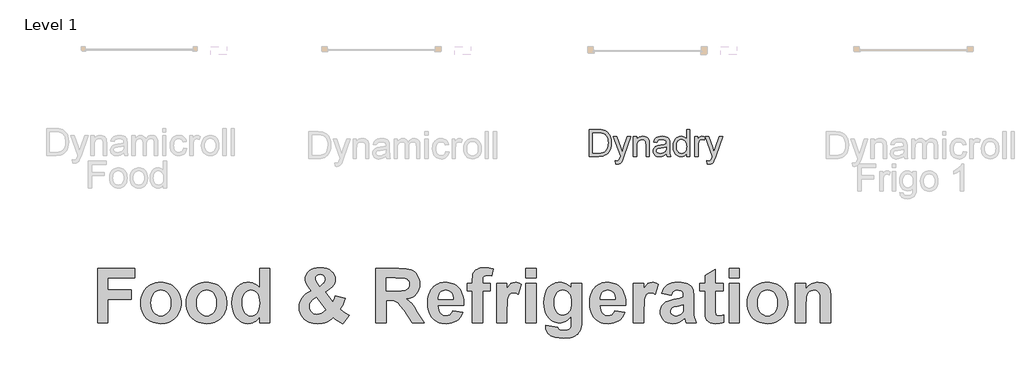
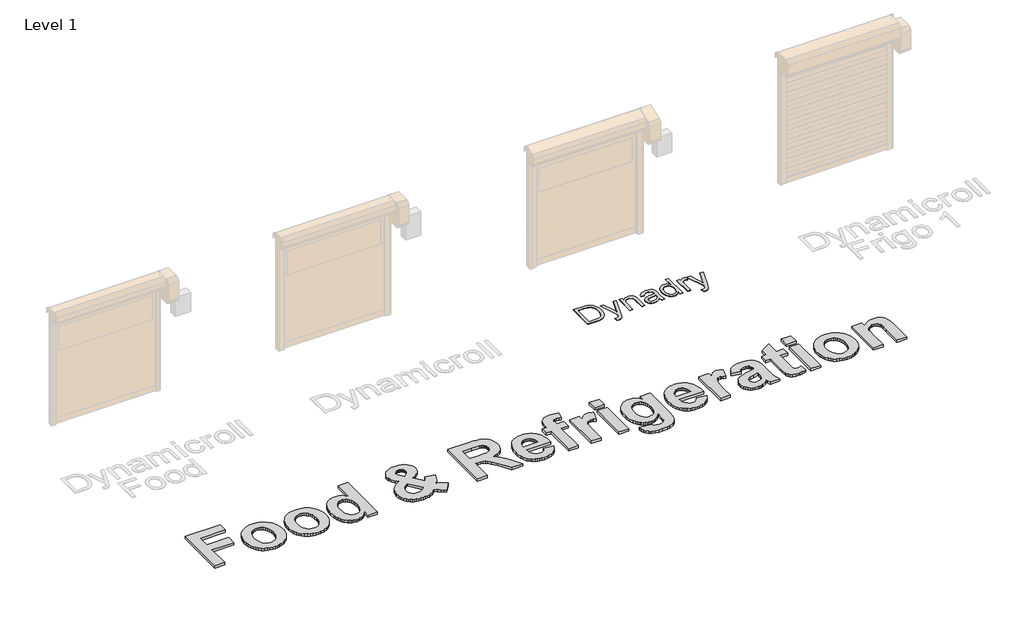
# One storey, part 3 of 18: 2 proxies.
"""IFC4 building model written with IfcOpenShell, lengths in millimetres."""

from ifc_helpers import new_model, si_unit, origin, origin_with_axes, place, context, project, spatial, polyline, outline, extrude, element, save

model = new_model("IFC4")

# Units and contexts
model_context = context("Model", 3, world=origin())
ifc_project = project(units=[si_unit("LENGTHUNIT", "METRE", prefix="MILLI")], contexts=[model_context])

# Site, building, storey
site = spatial("IfcSite", under=ifc_project)
building = spatial("IfcBuilding", under=site)
storey = spatial("IfcBuildingStorey", under=building, Name="Level 1", Elevation=0.0)

# Proxies
placement = place(None, origin())
element("IfcBuildingElementProxy", 1, Name="1000", ObjectType="1000", at=placement, inside=storey, context=model_context, shape_type="SweptSolid", body=[
    extrude(outline(polyline([(1161.4690724, 4455.5744837), (1161.4690724, 5475.8338837), (1857.8365994, 5475.8338837), (1857.8365994, 5297.6933535), (1355.8041962, 5297.6933535), (1355.8041962, 5070.9690424), (1793.0582248, 5070.9690424), (1793.0582248, 4892.8285123), (1355.8041962, 4892.8285123), (1355.8041962, 4455.5744837), (1161.4690724, 4455.5744837)])), origin_with_axes(), (0.0, 0.0, 1.0), 50.0),
    extrude(outline(polyline([(1971.1987549, 4838.6778397), (1974.1957037, 4887.2537132), (1983.1865498, 4935.05465), (1998.1712935, 4982.0806502), (2019.1499346, 5028.3317138), (2045.6163921, 5071.483031), (2077.0645849, 5109.2097919), (2113.4945131, 5141.5119965), (2154.9061766, 5168.3896448), (2200.0897255, 5189.5343438), (2247.8353097, 5204.6377002), (2298.1429293, 5213.699714), (2351.0125841, 5216.7203853), (2391.943866, 5215.008408), (2430.9812978, 5209.872476), (2468.1248793, 5201.3125895), (2503.3746107, 5189.3287483), (2536.7304919, 5173.9209526), (2568.1925229, 5155.0892022), (2597.7607037, 5132.8334972), (2625.4350343, 5107.1538376), (2650.491977, 5078.85679), (2672.207994, 5048.7489212), (2690.5830853, 5016.8302312), (2705.6172509, 4983.1007198), (2717.3104909, 4947.5603872), (2725.6628051, 4910.2092334), (2730.6741936, 4871.0472582), (2732.3446565, 4830.0744619), (2730.6564017, 4788.7833879), (2725.5916374, 4749.2991815), (2717.1503637, 4711.6218426), (2705.3325804, 4675.7513712), (2690.1382875, 4641.6877673), (2671.5674852, 4609.4310309), (2649.6201733, 4578.981162), (2624.296352, 4550.3381606), (2596.414449, 4524.3323159), (2566.7928925, 4501.7939172), (2535.4316823, 4482.7229645), (2502.3308185, 4467.1194577), (2467.4903011, 4454.9833969), (2430.9101301, 4446.314782), (2392.5903055, 4441.113613), (2352.5308273, 4439.3798901), (2302.3892656, 4442.2661336), (2253.4338314, 4450.924864), (2205.6645246, 4465.3560815), (2159.0813453, 4485.559786), (2115.8430455, 4511.3461971), (2078.1083771, 4542.5255344), (2045.8773401, 4579.0977979), (2019.1499346, 4621.0629876), (1998.1712935, 4668.1601554), (1983.1865498, 4720.1283534), (1974.1957037, 4776.9675815), (1971.1987549, 4838.6778397)]), holes=[polyline([(2165.5338787, 4828.0501377), (2168.8945732, 4772.6579851), (2178.9766567, 4724.1453718), (2195.7801291, 4682.5122977), (2219.3049905, 4647.758763), (2247.7641421, 4620.3592186), (2279.3704853, 4600.7881154), (2314.12402, 4589.0454535), (2352.0247462, 4585.1312329), (2389.9096574, 4589.0454535), (2424.6157471, 4600.7881154), (2456.1430151, 4620.3592186), (2484.4914615, 4647.758763), (2507.9056176, 4682.6071879), (2524.6300149, 4724.5249325), (2534.6646532, 4773.5119968), (2538.0095327, 4829.5683808), (2534.6646532, 4884.296302), (2524.6300149, 4932.3344643), (2507.9056176, 4973.6828678), (2484.4914615, 5008.3415123), (2456.1430151, 5035.7410567), (2424.6157471, 5055.3121599), (2389.9096574, 5067.0548218), (2352.0247462, 5070.9690424), (2314.12402, 5067.0548218), (2279.3704853, 5055.3121599), (2247.7641421, 5035.7410567), (2219.3049905, 5008.3415123), (2195.7801291, 4973.5879776), (2178.9766567, 4931.9549036), (2168.8945732, 4883.4422903), (2165.5338787, 4828.0501377)])]), origin_with_axes(), (0.0, 0.0, 1.0), 50.0),
    extrude(outline(polyline([(2829.5122184, 4838.6778397), (2832.5091671, 4887.2537132), (2841.5000133, 4935.05465), (2856.4847569, 4982.0806502), (2877.463398, 5028.3317138), (2903.9298555, 5071.483031), (2935.3780484, 5109.2097919), (2971.8079766, 5141.5119965), (3013.2196401, 5168.3896448), (3058.403189, 5189.5343438), (3106.1487732, 5204.6377002), (3156.4563927, 5213.699714), (3209.3260476, 5216.7203853), (3250.2573295, 5215.008408), (3289.2947612, 5209.872476), (3326.4383428, 5201.3125895), (3361.6880742, 5189.3287483), (3395.0439554, 5173.9209526), (3426.5059864, 5155.0892022), (3456.0741672, 5132.8334972), (3483.7484978, 5107.1538376), (3508.8054405, 5078.85679), (3530.5214575, 5048.7489212), (3548.8965488, 5016.8302312), (3563.9307144, 4983.1007198), (3575.6239543, 4947.5603872), (3583.9762686, 4910.2092334), (3588.9876571, 4871.0472582), (3590.6581199, 4830.0744619), (3588.9698652, 4788.7833879), (3583.9051009, 4749.2991815), (3575.4638271, 4711.6218426), (3563.6460438, 4675.7513712), (3548.451751, 4641.6877673), (3529.8809486, 4609.4310309), (3507.9336368, 4578.981162), (3482.6098154, 4550.3381606), (3454.7279125, 4524.3323159), (3425.1063559, 4501.7939172), (3393.7451458, 4482.7229645), (3360.644282, 4467.1194577), (3325.8037646, 4454.9833969), (3289.2235936, 4446.314782), (3250.903769, 4441.113613), (3210.8442907, 4439.3798901), (3160.702729, 4442.2661336), (3111.7472948, 4450.924864), (3063.9779881, 4465.3560815), (3017.3948088, 4485.559786), (2974.1565089, 4511.3461971), (2936.4218405, 4542.5255344), (2904.1908036, 4579.0977979), (2877.463398, 4621.0629876), (2856.4847569, 4668.1601554), (2841.5000133, 4720.1283534), (2832.5091671, 4776.9675815), (2829.5122184, 4838.6778397)]), holes=[polyline([(3023.8473422, 4828.0501377), (3027.2080367, 4772.6579851), (3037.2901201, 4724.1453718), (3054.0935925, 4682.5122977), (3077.6184539, 4647.758763), (3106.0776055, 4620.3592186), (3137.6839487, 4600.7881154), (3172.4374834, 4589.0454535), (3210.3382097, 4585.1312329), (3248.2231209, 4589.0454535), (3282.9292105, 4600.7881154), (3314.4564785, 4620.3592186), (3342.8049249, 4647.758763), (3366.2190811, 4682.6071879), (3382.9434783, 4724.5249325), (3392.9781167, 4773.5119968), (3396.3229961, 4829.5683808), (3392.9781167, 4884.296302), (3382.9434783, 4932.3344643), (3366.2190811, 4973.6828678), (3342.8049249, 5008.3415123), (3314.4564785, 5035.7410567), (3282.9292105, 5055.3121599), (3248.2231209, 5067.0548218), (3210.3382097, 5070.9690424), (3172.4374834, 5067.0548218), (3137.6839487, 5055.3121599), (3106.0776055, 5035.7410567), (3077.6184539, 5008.3415123), (3054.0935925, 4973.5879776), (3037.2901201, 4931.9549036), (3027.2080367, 4883.4422903), (3023.8473422, 4828.0501377)])]), origin_with_axes(), (0.0, 0.0, 1.0), 50.0),
    extrude(outline(polyline([(4400.3878024, 4455.5744837), (4206.0526786, 4455.5744837), (4206.0526786, 4562.8636666), (4183.3185689, 4533.6137634), (4158.6392101, 4508.3650634), (4132.0146023, 4487.1175667), (4103.4447454, 4469.8712734), (4073.8469114, 4456.5312932), (4044.1383722, 4447.0027359), (4014.3191277, 4441.2856015), (3984.3891781, 4439.3798901), (3954.3821301, 4440.9930234), (3925.4702731, 4445.8324235), (3897.6536072, 4453.8980902), (3870.9321323, 4465.1900237), (3845.3058484, 4479.7082239), (3820.7747556, 4497.4526907), (3774.998143, 4542.6204246), (3754.5670974, 4569.7076221), (3736.8601912, 4599.3489474), (3721.8774245, 4631.5444006), (3709.6187971, 4666.2939816), (3700.0843092, 4703.5976903), (3693.2739607, 4743.4555269), (3687.8256818, 4830.8335834), (3693.2660531, 4919.6824381), (3700.0665173, 4959.860529), (3709.5871671, 4997.2077291), (3721.8280025, 5031.7240384), (3736.7890236, 5063.4094567), (3754.4702303, 5092.2639842), (3774.8716227, 5118.2876207), (3797.3526919, 5141.3577999), (3821.2729291, 5161.3519552), (3846.6323343, 5178.2700866), (3873.4309075, 5192.1121941), (3901.6686487, 5202.8782777), (3931.3455578, 5210.5683375), (3962.461635, 5215.1823733), (3995.0168801, 5216.7203853), (4024.9942749, 5215.1270207), (4053.9436926, 5210.346927), (4081.8651331, 5202.3801042), (4108.7585965, 5191.2265523), (4134.6240827, 5176.8862712), (4159.4615918, 5159.3592611), (4206.0526786, 5114.7450534), (4206.0526786, 5475.8338837), (4400.3878024, 5475.8338837), (4400.3878024, 4455.5744837)]), holes=[polyline([(3882.1608056, 4842.2204071), (3884.1851298, 4785.0965084), (3890.2581025, 4736.4494673), (3900.3797235, 4696.2792839), (3914.5499929, 4664.585958), (3940.2810514, 4629.8245158), (3970.6617295, 4604.9949142), (4005.6920273, 4590.0971532), (4045.3719448, 4585.1312329), (4077.6346118, 4588.8556731), (4107.3668736, 4600.0289939), (4134.5687301, 4618.6511951), (4159.2401814, 4644.7222767), (4179.7206489, 4678.1947938), (4194.3495543, 4719.0213011), (4203.1268976, 4767.2017987), (4206.0526786, 4822.7362866), (4203.2138802, 4884.1539667), (4194.697485, 4936.3198526), (4180.5034931, 4979.2339443), (4160.6319043, 5012.8962417), (4136.3162912, 5038.303092), (4108.7902265, 5056.4508422), (4078.0537102, 5067.3394924), (4044.1067421, 5070.9690424), (4011.0849535, 5067.3790299), (3980.8466107, 5056.6089926), (3953.3917136, 5038.6589303), (3928.7202624, 5013.5288431), (3908.3505001, 4981.2819911), (3893.8006698, 4941.9816344), (3885.0707717, 4895.6277731), (3882.1608056, 4842.2204071)])]), origin_with_axes(), (0.0, 0.0, 1.0), 50.0),
    extrude(outline(polyline([(5890.2904183, 4596.7710971), (5767.3127227, 4439.3798901), (5721.6072778, 4463.1815145), (5676.8507348, 4491.0634174), (5633.0430937, 4523.0255989), (5590.1843547, 4559.0680587), (5559.6138962, 4530.3479591), (5528.1261657, 4505.6765078), (5495.7211634, 4485.053705), (5462.3988892, 4468.4795505), (5427.0206606, 4455.7484491), (5388.4477955, 4446.6548052), (5346.6802937, 4441.1986188), (5301.7181553, 4439.3798901), (5256.8509071, 4441.0800061), (5214.8619948, 4446.1803542), (5175.7514185, 4454.6809343), (5139.5191783, 4466.5817466), (5106.1652739, 4481.8827909), (5075.6897056, 4500.5840672), (5048.0924733, 4522.6855757), (5023.3735769, 4548.1873161), (4991.7118811, 4591.900067), (4969.0963841, 4638.7758244), (4955.5270859, 4688.8145883), (4951.0039865, 4742.0163589), (4954.5386464, 4790.6080474), (4965.1426259, 4836.6851456), (4982.8159251, 4880.2476536), (5007.5585441, 4921.2955714), (5039.3388526, 4959.7814539), (5078.1252207, 4995.6578559), (5123.9176483, 5028.9247775), (5176.7161355, 5059.5822187), (5127.7211637, 5118.3508809), (5092.5801607, 5174.2095769), (5071.4196468, 5227.1583069), (5066.1295183, 5252.5414347), (5064.3661421, 5277.1970709), (5068.9999467, 5320.4037407), (5082.9013606, 5360.1943634), (5106.0703838, 5396.568939), (5138.5070161, 5429.5274674), (5179.5153964, 5456.8716593), (5228.3996629, 5476.4032248), (5285.1598159, 5488.1221642), (5349.7958552, 5492.0284773), (5412.3522177, 5487.9719214), (5467.6811101, 5475.8022536), (5515.7825326, 5455.519474), (5556.656485, 5427.1235824), (5589.2591753, 5392.8761288), (5612.5468111, 5355.0386627), (5626.5193927, 5313.6111841), (5631.1769198, 5268.593693), (5628.7809424, 5239.1223793), (5621.5930099, 5210.4260022), (5609.6131225, 5182.5045617), (5592.8412802, 5155.3580578), (5568.7787077, 5127.7212878), (5534.9266299, 5098.3290493), (5491.2850467, 5067.181342), (5437.8539582, 5034.2781662), (5581.5809768, 4845.0038529), (5608.150232, 4895.8017384), (5630.6708388, 4960.1372921), (5814.3782605, 4919.650808), (5788.631387, 4839.5002214), (5766.5536011, 4784.2741267), (5745.5512375, 4744.9895851), (5723.0306307, 4712.6636579), (5761.9672416, 4680.5275111), (5810.9622134, 4645.354878), (5890.2904183, 4596.7710971)]), holes=[polyline([(5339.6742341, 5145.1099165), (5385.7276098, 5184.837279), (5408.0900663, 5207.0732152), (5424.0632495, 5229.2458913), (5433.6471594, 5251.3553072), (5436.841796, 5273.401463), (5435.2998303, 5291.193375), (5430.6739332, 5307.6251941), (5422.9641047, 5322.6969205), (5412.1703448, 5336.408554), (5398.7671044, 5347.8111926), (5383.2288346, 5355.9559346), (5365.5555354, 5360.8427797), (5345.7472068, 5362.4717281), (5326.4765892, 5361.0325601), (5309.4042613, 5356.7150561), (5294.5302228, 5349.5192162), (5281.854474, 5339.4450403), (5264.4895679, 5314.6470687), (5258.7012659, 5286.3065298), (5261.136781, 5267.5340858), (5268.4433261, 5246.895468), (5297.6695069, 5200.0197106), (5339.6742341, 5145.1099165)]), polyline([(5270.3411301, 4934.074118), (5240.940984, 4916.527339), (5215.4945961, 4897.2883515), (5194.0019665, 4876.3571555), (5176.463095, 4853.733751), (5162.8463517, 4830.1298145), (5153.1201065, 4806.2570224), (5147.2843594, 4782.1153747), (5145.3391103, 4757.7048715), (5147.7034578, 4728.1386676), (5154.7965, 4701.4349846), (5166.6182371, 4677.5938225), (5183.168669, 4656.6151814), (5203.6886741, 4639.5112234), (5227.4191309, 4627.2941105), (5254.3600394, 4619.9638428), (5284.5113995, 4617.5204202), (5325.5039647, 4621.9802595), (5364.9782867, 4635.3597773), (5405.4647709, 4658.9874364), (5449.4938223, 4694.1916995), (5270.3411301, 4934.074118)])]), origin_with_axes(), (0.0, 0.0, 1.0), 50.0),
    extrude(outline(polyline([(6392.3228214, 4455.5744837), (6392.3228214, 5475.8338837), (6821.4795531, 5475.8338837), (6896.9172599, 5474.1100451), (6961.2844436, 5468.9385293), (7014.5811044, 5460.3193364), (7056.8072421, 5448.2524664), (7091.6635745, 5431.7732021), (7122.8508193, 5409.9168267), (7150.3689765, 5382.6833401), (7174.2180461, 5350.0727423), (7193.4807561, 5313.4925713), (7207.2398347, 5274.350365), (7215.4952818, 5232.6461234), (7218.2470976, 5188.3798464), (7214.2696168, 5133.2011967), (7202.3371745, 5083.0517275), (7182.4497707, 5037.9314388), (7154.6074053, 4997.8403305), (7118.8417085, 4963.7431196), (7075.1843103, 4936.6045232), (7023.6352107, 4916.4245413), (6964.1944097, 4903.2031738), (7020.5591868, 4862.5901694), (7066.1697416, 4818.1815572), (7113.3617996, 4753.8460035), (7174.4710866, 4653.4521749), (7299.2200658, 4455.5744837), (7072.2427142, 4455.5744837), (6924.4670471, 4688.624808), (6853.0779888, 4778.1062639), (6808.4479661, 4826.9114553), (6776.2485591, 4850.9186752), (6742.1513483, 4866.0062165), (6696.8887242, 4873.9769931), (6631.1930777, 4876.6339186), (6586.6579452, 4876.6339186), (6586.6579452, 4455.5744837), (6392.3228214, 4455.5744837)]), holes=[polyline([(6586.6579452, 5054.7744488), (6746.832598, 5054.7744488), (6873.2579707, 5057.7160449), (6914.5747441, 5061.39304), (6941.2942421, 5066.5408332), (6975.897534, 5082.5456465), (7002.0239683, 5107.0273173), (7011.5999707, 5122.2809165), (7018.4399724, 5139.3216144), (7023.9119738, 5178.7643064), (7022.10906, 5201.7672717), (7016.7003188, 5222.4454272), (7007.68575, 5240.7987728), (6995.0653538, 5256.8273086), (6979.1554308, 5270.3254391), (6960.2722815, 5281.087569), (6938.4159061, 5289.1136982), (6913.5863045, 5294.4038267), (6755.6890164, 5297.6933535), (6586.6579452, 5297.6933535), (6586.6579452, 5054.7744488)])]), origin_with_axes(), (0.0, 0.0, 1.0), 50.0),
    extrude(outline(polyline([(7833.6416563, 4682.2987948), (8027.9767801, 4649.9096075), (8006.9744164, 4601.4918844), (7980.6582017, 4559.2262091), (7949.028136, 4523.1125815), (7912.0842193, 4493.1510018), (7870.0004168, 4469.6261404), (7822.950694, 4452.822668), (7770.935051, 4442.7405845), (7713.9534876, 4439.3798901), (7668.4180542, 4441.3607229), (7625.9428297, 4447.3032215), (7586.527814, 4457.2073858), (7550.1730073, 4471.0732159), (7516.8784093, 4488.9007117), (7486.6440203, 4510.6898732), (7459.46984, 4536.4407005), (7435.3558687, 4566.1531935), (7404.1369938, 4620.2247908), (7381.8377975, 4680.970332), (7368.4582797, 4748.3898171), (7363.9984404, 4822.4832461), (7369.9132627, 4909.8454876), (7377.3067906, 4949.7784456), (7387.6577296, 4987.2126284), (7400.9660797, 5022.148036), (7417.231841, 5054.5846684), (7436.4550135, 5084.5225256), (7458.6355971, 5111.9616076), (7483.0777303, 5136.5144461), (7509.0855519, 5157.7935728), (7536.6590617, 5175.7989877), (7565.7982597, 5190.5306908), (7596.503146, 5201.9886821), (7628.7737206, 5210.1729617), (7662.6099834, 5215.0835294), (7698.0119344, 5216.7203853), (7737.5534704, 5215.040038), (7774.9520693, 5209.9989963), (7810.2077313, 5201.5972601), (7843.3204564, 5189.8348294), (7874.2902445, 5174.7117042), (7903.1170956, 5156.2278846), (7929.8010098, 5134.3833704), (7954.3419871, 5109.1781618), (7976.2813914, 5080.5015535), (7995.1605869, 5048.2428402), (8010.9795735, 5012.402022), (8023.7383513, 4972.9790988), (8033.4369202, 4929.9740707), (8040.0752802, 4883.3869376), (8043.6534314, 4833.2176996), (8044.1713737, 4779.4663567), (7558.3335642, 4779.4663567), (7561.9552067, 4735.9750163), (7570.7958101, 4697.6077466), (7584.8553743, 4664.3645475), (7604.1338994, 4636.2454191), (7627.3661827, 4613.8829626), (7653.2870215, 4597.9097795), (7681.896416, 4588.3258695), (7713.194366, 4585.1312329), (7753.9971508, 4590.8879049), (7771.7890627, 4598.0837448), (7787.8413211, 4608.1579208), (7802.0906657, 4621.4267333), (7814.4738364, 4638.2064832), (7833.6416563, 4682.2987948)]), holes=[polyline([(7849.8362499, 4892.8285123), (7846.3727577, 4933.860615), (7838.0066053, 4969.6579419), (7824.7377928, 5000.2204929), (7806.56632, 5025.548268), (7784.8364649, 5045.4198568), (7760.8925051, 5059.6138488), (7734.7344407, 5068.130244), (7706.3622718, 5070.9690424), (7676.2188192, 5067.9800012), (7648.7955522, 5059.0128776), (7624.0924709, 5044.0676715), (7602.1095752, 5023.144383), (7584.206958, 4996.9705036), (7571.4916716, 4966.5265654), (7563.9637159, 4931.8125683), (7561.623091, 4892.8285123), (7849.8362499, 4892.8285123)])]), origin_with_axes(), (0.0, 0.0, 1.0), 50.0),
    extrude(outline(polyline([(8108.9497483, 5200.5257916), (8206.1173102, 5200.5257916), (8206.1173102, 5254.9295047), (8211.0516005, 5334.4474899), (8217.2194633, 5365.5240295), (8225.8544712, 5390.812267), (8237.794821, 5412.1704689), (8253.8787095, 5431.4569015), (8274.1061365, 5448.6715647), (8298.4771021, 5463.8144587), (8326.6753057, 5476.1580918), (8358.3844466, 5484.9749727), (8393.6045248, 5490.2651011), (8432.3355403, 5492.0284773), (8514.4471909, 5485.9555047), (8594.7875578, 5467.7365868), (8570.4956673, 5335.3963919), (8524.5055518, 5343.5569488), (8480.1601996, 5346.2771345), (8443.6274737, 5341.4061043), (8429.8446726, 5335.3173167), (8419.0509127, 5326.793014), (8410.9140783, 5314.8052191), (8405.1020537, 5298.3259548), (8400.452434, 5251.8930183), (8400.452434, 5200.5257916), (8546.2037769, 5200.5257916), (8546.2037769, 5054.7744488), (8400.452434, 5054.7744488), (8400.452434, 4455.5744837), (8206.1173102, 4455.5744837), (8206.1173102, 5054.7744488), (8108.9497483, 5054.7744488), (8108.9497483, 5200.5257916)])), origin_with_axes(), (0.0, 0.0, 1.0), 50.0),
    extrude(outline(polyline([(8853.9010562, 4455.5744837), (8659.5659324, 4455.5744837), (8659.5659324, 5200.5257916), (8853.9010562, 5200.5257916), (8853.9010562, 5096.779176), (8894.9568815, 5157.7935728), (8913.8242157, 5178.835474), (8931.5844976, 5193.5671772), (8968.4018941, 5210.9320832), (9010.0270606, 5216.7203853), (9040.6291492, 5214.1583499), (9070.6935267, 5206.472244), (9100.220193, 5193.6620673), (9129.2091483, 5175.7278201), (9072.5280705, 4990.7551957), (9025.7155732, 5014.477745), (9003.6377874, 5020.4083824), (8982.4456433, 5022.3852615), (8945.0905357, 5016.85), (8928.7615143, 5009.9309231), (8913.9981811, 5000.2442155), (8900.7609986, 4986.9516803), (8889.0104292, 4969.215121), (8869.9691296, 4920.4099296), (8862.9393475, 4883.6557932), (8857.9180746, 4831.086624), (8853.9010562, 4678.5031869), (8853.9010562, 4455.5744837)])), origin_with_axes(), (0.0, 0.0, 1.0), 50.0),
    extrude(outline(polyline([(9210.1821165, 5297.6933535), (9210.1821165, 5475.8338837), (9404.5172403, 5475.8338837), (9404.5172403, 5297.6933535), (9210.1821165, 5297.6933535)])), origin_with_axes(), (0.0, 0.0, 1.0), 50.0),
    extrude(outline(polyline([(9210.1821165, 4455.5744837), (9210.1821165, 5200.5257916), (9404.5172403, 5200.5257916), (9404.5172403, 4455.5744837), (9210.1821165, 4455.5744837)])), origin_with_axes(), (0.0, 0.0, 1.0), 50.0),
    extrude(outline(polyline([(9582.6577705, 4406.9907028), (9809.3820816, 4374.6015155), (9818.0487196, 4346.007936), (9833.4209315, 4328.0420587), (9848.4293977, 4320.0712821), (9867.1385816, 4314.3778703), (9915.6591024, 4309.8231409), (9949.3451224, 4311.2623088), (9978.5396731, 4315.5798128), (10003.2427544, 4322.7756528), (10023.4543664, 4332.8498287), (10044.5832503, 4353.0298106), (10059.8922021, 4382.6988123), (10066.3447355, 4417.6184048), (10068.49558, 4473.2873205), (10068.49558, 4581.8417061), (10043.9466952, 4552.2478258), (10018.3777408, 4526.5997963), (9991.7887168, 4504.8976174), (9964.1796232, 4487.1412893), (9935.55046, 4473.3308118), (9905.9012271, 4463.4661851), (9875.2319247, 4457.5474091), (9843.5425526, 4455.5744837), (9808.5478386, 4457.5553166), (9775.427206, 4463.4978152), (9744.1806548, 4473.4019795), (9714.8081851, 4487.2678096), (9687.3097967, 4505.0953054), (9661.6854897, 4526.8844669), (9637.9352641, 4552.6352941), (9616.0591199, 4582.3477871), (9587.2757601, 4635.5179276), (9566.7162174, 4694.8243008), (9554.3804917, 4760.2669068), (9550.2685832, 4831.8457455), (9555.6536019, 4919.9433861), (9562.3848752, 4959.8466909), (9571.8086579, 4996.9863187), (9583.92495, 5031.3622695), (9598.7337514, 5062.9745433), (9616.2350621, 5091.8231401), (9636.4288822, 5117.9080599), (9682.1422347, 5161.1384523), (9706.9738132, 5178.1218207), (9733.1219931, 5192.0173039), (9760.5867746, 5202.824902), (9789.3681575, 5210.5446149), (9819.4661419, 5215.1764427), (9850.8807278, 5216.7203853), (9883.1750249, 5214.8897952), (9914.014339, 5209.398025), (9943.39867, 5200.2450748), (9971.3280181, 5187.4309444), (9997.8023831, 5170.9556339), (10022.8217651, 5150.8191433), (10046.386164, 5127.0214726), (10068.49558, 5099.5626218), (10068.49558, 5200.5257916), (10262.8307038, 5200.5257916), (10262.8307038, 4538.8248167), (10257.5484828, 4424.92495), (10250.9457066, 4380.2870198), (10241.7018199, 4343.8570916), (10230.0777707, 4313.2787255), (10216.3345072, 4286.1954818), (10200.4720292, 4262.6073602), (10182.4903368, 4242.514361), (10161.851719, 4225.1573624), (10138.0184644, 4209.777243), (10080.7680455, 4184.9476414), (10046.8368925, 4175.8144599), (10008.6831257, 4169.2907588), (9919.7077508, 4164.071798), (9834.4172786, 4167.9622961), (9762.5063242, 4179.6337903), (9703.9748876, 4199.0862808), (9679.7264884, 4211.7303995), (9658.8229687, 4226.3197673), (9625.1685788, 4259.5313364), (9601.1297289, 4296.918074), (9586.7064189, 4338.4799804), (9581.8986489, 4384.2170554), (9582.6577705, 4406.9907028)]), holes=[polyline([(9744.603707, 4839.1839208), (9747.4108753, 4781.5855711), (9755.8323803, 4732.2742986), (9769.868222, 4691.2501034), (9789.5184003, 4658.5129854), (9813.2963022, 4633.4936034), (9839.7153146, 4615.6226163), (9868.7754375, 4604.900024), (9900.4766709, 4601.3258266), (9934.4078239, 4604.9949142), (9965.6029762, 4616.0021771), (9994.0621278, 4634.3476152), (10019.7852788, 4660.0312285), (10041.0960355, 4692.9106819), (10056.3180047, 4732.8436398), (10065.4511862, 4779.8301025), (10068.49558, 4833.8700697), (10065.5777064, 4890.2111243), (10056.8240857, 4938.7869978), (10042.2347179, 4979.5976901), (10021.809603, 5012.6432012), (9996.9246488, 5038.1607567), (9968.9557631, 5056.3875821), (9937.9029461, 5067.3236773), (9903.7661977, 5070.9690424), (9870.6257963, 5067.394845), (9840.5376963, 5056.6722527), (9813.5018976, 5038.8012656), (9789.5184003, 5013.7818836), (9769.868222, 4981.4243263), (9755.8323803, 4941.5388135), (9747.4108753, 4894.125345), (9744.603707, 4839.1839208)])]), origin_with_axes(), (0.0, 0.0, 1.0), 50.0),
    extrude(outline(polyline([(10878.2252625, 4682.2987948), (11072.5603863, 4649.9096075), (11051.5580226, 4601.4918844), (11025.241808, 4559.2262091), (10993.6117422, 4523.1125815), (10956.6678255, 4493.1510018), (10914.584023, 4469.6261404), (10867.5343003, 4452.822668), (10815.5186572, 4442.7405845), (10758.5370938, 4439.3798901), (10713.0016604, 4441.3607229), (10670.5264359, 4447.3032215), (10631.1114203, 4457.2073858), (10594.7566135, 4471.0732159), (10561.4620155, 4488.9007117), (10531.2276265, 4510.6898732), (10504.0534463, 4536.4407005), (10479.9394749, 4566.1531935), (10448.7206, 4620.2247908), (10426.4214037, 4680.970332), (10413.0418859, 4748.3898171), (10408.5820466, 4822.4832461), (10414.4968689, 4909.8454876), (10421.8903968, 4949.7784456), (10432.2413358, 4987.2126284), (10445.5496859, 5022.148036), (10461.8154472, 5054.5846684), (10481.0386197, 5084.5225256), (10503.2192033, 5111.9616076), (10527.6613366, 5136.5144461), (10553.6691581, 5157.7935728), (10581.2426679, 5175.7989877), (10610.3818659, 5190.5306908), (10641.0867522, 5201.9886821), (10673.3573268, 5210.1729617), (10707.1935896, 5215.0835294), (10742.5955407, 5216.7203853), (10782.1370766, 5215.040038), (10819.5356755, 5209.9989963), (10854.7913375, 5201.5972601), (10887.9040626, 5189.8348294), (10918.8738507, 5174.7117042), (10947.7007018, 5156.2278846), (10974.384616, 5134.3833704), (10998.9255933, 5109.1781618), (11020.8649976, 5080.5015535), (11039.7441931, 5048.2428402), (11055.5631797, 5012.402022), (11068.3219575, 4972.9790988), (11078.0205264, 4929.9740707), (11084.6588864, 4883.3869376), (11088.2370376, 4833.2176996), (11088.7549799, 4779.4663567), (10602.9171704, 4779.4663567), (10606.538813, 4735.9750163), (10615.3794163, 4697.6077466), (10629.4389805, 4664.3645475), (10648.7175056, 4636.2454191), (10671.9497889, 4613.8829626), (10697.8706277, 4597.9097795), (10726.4800222, 4588.3258695), (10757.7779722, 4585.1312329), (10798.580757, 4590.8879049), (10816.372669, 4598.0837448), (10832.4249273, 4608.1579208), (10846.6742719, 4621.4267333), (10859.0574427, 4638.2064832), (10878.2252625, 4682.2987948)]), holes=[polyline([(10894.4198561, 4892.8285123), (10890.9563639, 4933.860615), (10882.5902116, 4969.6579419), (10869.321399, 5000.2204929), (10851.1499262, 5025.548268), (10829.4200711, 5045.4198568), (10805.4761113, 5059.6138488), (10779.318047, 5068.130244), (10750.945878, 5070.9690424), (10720.8024254, 5067.9800012), (10693.3791584, 5059.0128776), (10668.6760771, 5044.0676715), (10646.6931814, 5023.144383), (10628.7905642, 4996.9705036), (10616.0752778, 4966.5265654), (10608.5473221, 4931.8125683), (10606.2066973, 4892.8285123), (10894.4198561, 4892.8285123)])]), origin_with_axes(), (0.0, 0.0, 1.0), 50.0),
    extrude(outline(polyline([(11428.8414466, 4455.5744837), (11234.5063228, 4455.5744837), (11234.5063228, 5200.5257916), (11428.8414466, 5200.5257916), (11428.8414466, 5096.779176), (11469.8972719, 5157.7935728), (11488.7646061, 5178.835474), (11506.524888, 5193.5671772), (11543.3422845, 5210.9320832), (11584.967451, 5216.7203853), (11615.5695396, 5214.1583499), (11645.6339171, 5206.472244), (11675.1605834, 5193.6620673), (11704.1495386, 5175.7278201), (11647.4684609, 4990.7551957), (11600.6559636, 5014.477745), (11578.5781777, 5020.4083824), (11557.3860337, 5022.3852615), (11520.0309261, 5016.85), (11503.7019046, 5009.9309231), (11488.9385715, 5000.2442155), (11475.701389, 4986.9516803), (11463.9508195, 4969.215121), (11444.90952, 4920.4099296), (11437.8797379, 4883.6557932), (11432.8584649, 4831.086624), (11428.8414466, 4678.5031869), (11428.8414466, 4455.5744837)])), origin_with_axes(), (0.0, 0.0, 1.0), 50.0),
    extrude(outline(polyline([(11947.0684434, 4973.8014805), (11768.9279132, 5006.1906678), (11785.6681255, 5056.355952), (11807.5482235, 5099.5626218), (11834.5682071, 5135.8106771), (11866.7280765, 5165.100118), (11905.6567798, 5187.6839849), (11952.9832657, 5203.8153184), (12008.707534, 5213.4941186), (12072.8295847, 5216.7203853), (12130.9814605, 5214.7672287), (12181.1941899, 5208.907759), (12223.4677727, 5199.1419762), (12257.8022091, 5185.4698803), (12285.9213375, 5168.8008357), (12309.5489966, 5150.0442067), (12328.6851863, 5129.1999934), (12343.3299068, 5106.2681958), (12354.1790193, 5077.271333), (12361.9283854, 5038.2319244), (12366.5780051, 4989.1499699), (12368.1278783, 4930.0254695), (12368.1278783, 4700.2646721), (12370.6899136, 4614.9900149), (12378.3760196, 4555.5254914), (12393.0840002, 4507.2580111), (12416.7116592, 4455.5744837), (12222.3765354, 4455.5744837), (12204.1576176, 4517.316372), (12197.3255234, 4541.861303), (12147.0337189, 4497.10476), (12093.3258673, 4465.0635034), (12065.1592938, 4453.8269226), (12036.0754483, 4445.8007934), (12006.074331, 4440.9851159), (11975.1559418, 4439.3798901), (11922.6737552, 4443.2782957), (11876.0589458, 4454.9735125), (11835.3115137, 4474.4655405), (11800.4314587, 4501.7543797), (11772.4783881, 4534.9896712), (11752.5119091, 4572.3210563), (11740.5320217, 4613.7485349), (11736.5387259, 4659.272107), (11738.3179171, 4689.9216406), (11743.6554907, 4718.8631508), (11752.5514467, 4746.0966374), (11765.0057851, 4771.6221004), (11780.6705751, 4794.8543837), (11799.1978861, 4815.208331), (11820.5877181, 4832.6839423), (11844.840071, 4847.2812176), (11907.5308612, 4871.8894087), (11992.8687786, 4893.0815528), (12103.3842282, 4918.0693047), (12173.7927545, 4941.4122932), (12173.7927545, 4961.9085758), (12172.2824189, 4989.2685826), (12167.7514119, 5012.3901607), (12160.1997337, 5031.2733099), (12149.6273843, 5045.9180304), (12134.8798661, 5056.8778481), (12114.8026819, 5064.7062894), (12089.3958316, 5069.4033542), (12058.6593153, 5070.9690424), (12018.3626115, 5065.5919312), (12001.9624225, 5058.8705423), (11988.0610086, 5049.4605977), (11976.0099535, 5036.6662361), (11965.160841, 5019.7915961), (11947.0684434, 4973.8014805)]), holes=[polyline([(12173.7927545, 4795.6609504), (12064.2262068, 4768.7121344), (12002.231278, 4753.2450322), (11966.0464828, 4737.9677105), (11950.6584559, 4724.9835685), (11939.667008, 4710.323033), (11933.0721393, 4693.9861041), (11930.8738497, 4675.9727817), (11932.6372259, 4658.1255171), (11937.9273544, 4641.5276401), (11946.7442352, 4626.1791507), (11959.0878684, 4612.0800489), (11974.1516872, 4600.2899419), (11991.1291249, 4591.8684369), (12010.0201817, 4586.8155339), (12030.8248574, 4585.1312329), (12054.9427825, 4587.092297), (12078.4597364, 4592.9754892), (12101.375719, 4602.7808096), (12123.6907304, 4616.5082581), (12150.8925869, 4642.950993), (12166.7076198, 4674.707579), (12172.0214708, 4707.413067), (12173.7927545, 4760.4883173), (12173.7927545, 4795.6609504)])]), origin_with_axes(), (0.0, 0.0, 1.0), 50.0),
    extrude(outline(polyline([(12918.7440624, 5200.5257916), (12918.7440624, 5054.7744488), (12772.9927195, 5054.7744488), (12772.9927195, 4735.1842647), (12774.0997718, 4658.4813553), (12777.4209287, 4622.2016699), (12784.6642138, 4607.5253194), (12797.5376505, 4595.6324147), (12814.9341867, 4587.7565284), (12835.7467699, 4585.1312329), (12874.2089299, 4589.8124826), (12926.8413592, 4603.8562318), (12934.938656, 4465.6961047), (12898.6115256, 4454.1827608), (12859.9754003, 4445.9589437), (12819.0302802, 4441.0246535), (12775.7761653, 4439.3798901), (12724.0293778, 4443.9346195), (12677.5964413, 4457.5988079), (12639.6719925, 4478.4746513), (12613.450668, 4504.6643457), (12596.1490221, 4538.6350363), (12584.9836089, 4582.8538682), (12580.239099, 4635.6760779), (12578.6575957, 4724.3035221), (12578.6575957, 5054.7744488), (12481.4900338, 5054.7744488), (12481.4900338, 5200.5257916), (12578.6575957, 5200.5257916), (12578.6575957, 5346.2771345), (12772.9927195, 5459.63929), (12772.9927195, 5200.5257916), (12918.7440624, 5200.5257916)])), origin_with_axes(), (0.0, 0.0, 1.0), 50.0),
    extrude(outline(polyline([(13032.1062179, 5297.6933535), (13032.1062179, 5475.8338837), (13226.4413418, 5475.8338837), (13226.4413418, 5297.6933535), (13032.1062179, 5297.6933535)])), origin_with_axes(), (0.0, 0.0, 1.0), 50.0),
    extrude(outline(polyline([(13032.1062179, 4455.5744837), (13032.1062179, 5200.5257916), (13226.4413418, 5200.5257916), (13226.4413418, 4455.5744837), (13032.1062179, 4455.5744837)])), origin_with_axes(), (0.0, 0.0, 1.0), 50.0),
    extrude(outline(polyline([(13372.1926846, 4838.6778397), (13375.1896333, 4887.2537132), (13384.1804795, 4935.05465), (13399.1652231, 4982.0806502), (13420.1438642, 5028.3317138), (13446.6103217, 5071.483031), (13478.0585146, 5109.2097919), (13514.4884428, 5141.5119965), (13555.9001063, 5168.3896448), (13601.0836552, 5189.5343438), (13648.8292394, 5204.6377002), (13699.1368589, 5213.699714), (13752.0065138, 5216.7203853), (13792.9377957, 5215.008408), (13831.9752275, 5209.872476), (13869.118809, 5201.3125895), (13904.3685404, 5189.3287483), (13937.7244216, 5173.9209526), (13969.1864526, 5155.0892022), (13998.7546334, 5132.8334972), (14026.428964, 5107.1538376), (14051.4859067, 5078.85679), (14073.2019237, 5048.7489212), (14091.577015, 5016.8302312), (14106.6111806, 4983.1007198), (14118.3044205, 4947.5603872), (14126.6567348, 4910.2092334), (14131.6681233, 4871.0472582), (14133.3385862, 4830.0744619), (14131.6503314, 4788.7833879), (14126.5855671, 4749.2991815), (14118.1442933, 4711.6218426), (14106.32651, 4675.7513712), (14091.1322172, 4641.6877673), (14072.5614149, 4609.4310309), (14050.614103, 4578.981162), (14025.2902816, 4550.3381606), (13997.4083787, 4524.3323159), (13967.7868222, 4501.7939172), (13936.425612, 4482.7229645), (13903.3247482, 4467.1194577), (13868.4842308, 4454.9833969), (13831.9040598, 4446.314782), (13793.5842352, 4441.113613), (13753.524757, 4439.3798901), (13703.3831953, 4442.2661336), (13654.427761, 4450.924864), (13606.6584543, 4465.3560815), (13560.075275, 4485.559786), (13516.8369752, 4511.3461971), (13479.1023067, 4542.5255344), (13446.8712698, 4579.0977979), (13420.1438642, 4621.0629876), (13399.1652231, 4668.1601554), (13384.1804795, 4720.1283534), (13375.1896333, 4776.9675815), (13372.1926846, 4838.6778397)]), holes=[polyline([(13566.5278084, 4828.0501377), (13569.8885029, 4772.6579851), (13579.9705863, 4724.1453718), (13596.7740588, 4682.5122977), (13620.2989201, 4647.758763), (13648.7580718, 4620.3592186), (13680.3644149, 4600.7881154), (13715.1179497, 4589.0454535), (13753.0186759, 4585.1312329), (13790.9035871, 4589.0454535), (13825.6096767, 4600.7881154), (13857.1369447, 4620.3592186), (13885.4853912, 4647.758763), (13908.8995473, 4682.6071879), (13925.6239446, 4724.5249325), (13935.6585829, 4773.5119968), (13939.0034624, 4829.5683808), (13935.6585829, 4884.296302), (13925.6239446, 4932.3344643), (13908.8995473, 4973.6828678), (13885.4853912, 5008.3415123), (13857.1369447, 5035.7410567), (13825.6096767, 5055.3121599), (13790.9035871, 5067.0548218), (13753.0186759, 5070.9690424), (13715.1179497, 5067.0548218), (13680.3644149, 5055.3121599), (13648.7580718, 5035.7410567), (13620.2989201, 5008.3415123), (13596.7740588, 4973.5879776), (13579.9705863, 4931.9549036), (13569.8885029, 4883.4422903), (13566.5278084, 4828.0501377)])]), origin_with_axes(), (0.0, 0.0, 1.0), 50.0),
    extrude(outline(polyline([(14943.0682687, 4455.5744837), (14748.7331449, 4455.5744837), (14748.7331449, 4838.4247992), (14745.6966586, 4938.6288474), (14741.9010507, 4972.599538), (14736.5871996, 4995.8160063), (14720.5823864, 5027.5093321), (14696.8598371, 5051.2318814), (14666.5582341, 5066.0347522), (14630.8162598, 5070.9690424), (14606.6587972, 5069.2056662), (14583.7823521, 5063.9155378), (14562.1869247, 5055.0986569), (14541.872515, 5042.7550238), (14523.7484874, 5027.4935171), (14508.7242062, 5009.9230156), (14496.7996714, 4990.0435193), (14487.974883, 4967.8550282), (14481.6093323, 4939.5698419), (14477.0625104, 4901.4002601), (14473.4250528, 4795.4079098), (14473.4250528, 4455.5744837), (14279.089929, 4455.5744837), (14279.089929, 5200.5257916), (14473.4250528, 5200.5257916), (14473.4250528, 5093.2366087), (14497.2622611, 5122.1781188), (14522.59399, 5147.2607609), (14549.4202395, 5168.484535), (14577.7410096, 5185.8494411), (14607.5563003, 5199.3554792), (14638.8661116, 5209.0026492), (14671.6704435, 5214.7909513), (14705.969296, 5216.7203853), (14765.0542588, 5210.837193), (14792.604046, 5203.4832028), (14818.8253705, 5193.1876164), (14863.7400638, 5166.4285808), (14881.5477908, 5150.6293629), (14896.2557714, 5133.2170118), (14918.5549677, 5094.343661), (14932.8201274, 5050.5992801), (14940.5062333, 4994.3926533), (14943.0682687, 4918.1325648), (14943.0682687, 4455.5744837)])), origin_with_axes(), (0.0, 0.0, 1.0), 50.0),
])
element("IfcBuildingElementProxy", 2, Name="500mm", ObjectType="500mm", at=placement, inside=storey, context=model_context, shape_type="SweptSolid", body=[
    extrude(outline(polyline([(10402.5904997, 7588.4925899), (10402.5904997, 8090.7741406), (10575.8629195, 8090.7741406), (10627.6423103, 8088.9653875), (10665.5034989, 8083.539128), (10705.5413228, 8069.590269), (10739.3251526, 8047.6093198), (10757.9415144, 8029.6444157), (10774.0593444, 8009.3495923), (10787.6786424, 7986.7248496), (10798.7994085, 7961.7701876), (10813.6066588, 7905.7908107), (10818.5424089, 7842.3311665), (10815.2008142, 7788.4211258), (10805.1760298, 7740.9796769), (10789.908927, 7700.5892995), (10770.8403769, 7667.8324735), (10748.8900845, 7641.9734349), (10724.9777548, 7622.2764197), (10697.5245609, 7607.6684389), (10664.951676, 7597.0765031), (10627.1977862, 7590.6385682), (10584.201578, 7588.4925899), (10402.5904997, 7588.4925899)]), holes=[polyline([(10465.3756936, 7651.2777837), (10576.4760561, 7651.2777837), (10622.4306487, 7653.5463893), (10657.2874677, 7660.3522062), (10683.5910304, 7671.2966956), (10703.8858538, 7685.9813186), (10725.6981904, 7713.158601), (10742.0842676, 7748.3373168), (10752.3389782, 7791.6707501), (10755.7572151, 7843.3121852), (10754.0825856, 7879.7631595), (10749.0586971, 7911.7382363), (10740.6855496, 7939.2374154), (10728.9631431, 7962.260697), (10714.8418394, 7981.329247), (10699.2720004, 7996.9642318), (10682.253626, 8009.1656513), (10663.7867163, 8017.9335056), (10627.6729671, 8025.4750865), (10574.7592735, 8027.9889468), (10465.3756936, 8027.9889468), (10465.3756936, 7651.2777837)])]), origin_with_axes(), (0.0, 0.0, 1.0), 5.0),
    extrude(outline(polyline([(10897.0239012, 7447.2259037), (10889.175752, 7507.6811782), (10921.0588583, 7502.1629483), (10937.8281459, 7503.8950594), (10950.8572999, 7509.0913926), (10961.0047116, 7517.3840659), (10969.1287723, 7528.4051973), (10986.2965987, 7574.6357014), (10991.201692, 7589.8414905), (10857.7831551, 7957.3556037), (10924.0019142, 7957.3556037), (10994.7578846, 7752.5679597), (11019.4059783, 7670.6529021), (11044.054072, 7743.0030278), (11116.7720797, 7957.3556037), (11182.5003295, 7957.3556037), (11054.1095132, 7579.663422), (11020.754879, 7497.7483644), (11003.679023, 7471.5980859), (10984.3345614, 7453.4798976), (10961.8631029, 7442.9032903), (10935.4062561, 7439.3777545), (10917.2267541, 7441.3397918), (10897.0239012, 7447.2259037)])), origin_with_axes(), (0.0, 0.0, 1.0), 5.0),
    extrude(outline(polyline([(11234.4943182, 7588.4925899), (11234.4943182, 7957.3556037), (11297.279512, 7957.3556037), (11297.279512, 7905.8521244), (11319.0918486, 7931.8184619), (11345.2881124, 7950.3658458), (11375.8683032, 7961.4942761), (11410.8324212, 7965.2037529), (11441.780494, 7962.2147117), (11470.1227361, 7953.2475881), (11493.7591543, 7939.4213564), (11510.5897555, 7921.8549911), (11522.0094258, 7900.5944775), (11529.413051, 7875.6858008), (11532.7239889, 7814.9852715), (11532.7239889, 7588.4925899), (11469.9387951, 7588.4925899), (11469.9387951, 7806.5239857), (11468.1300419, 7838.9895717), (11462.7037825, 7862.0741669), (11452.6943265, 7878.6135283), (11437.1359838, 7891.4434129), (11417.193714, 7899.6747725), (11394.0324767, 7902.4185591), (11374.9677588, 7900.8780532), (11357.2596056, 7896.2565357), (11340.9080174, 7888.5540064), (11325.912994, 7877.7704654), (11313.3858456, 7862.6796394), (11304.4378825, 7842.055255), (11299.0691046, 7815.8973123), (11297.279512, 7784.2058113), (11297.279512, 7588.4925899), (11234.4943182, 7588.4925899)])), origin_with_axes(), (0.0, 0.0, 1.0), 5.0),
    extrude(outline(polyline([(11854.4981074, 7635.5814852), (11824.5003963, 7609.8604024), (11793.6136372, 7593.0298011), (11761.1327227, 7583.7407807), (11726.3525457, 7580.6444406), (11698.3973462, 7582.5068432), (11673.8833761, 7588.094051), (11652.8106356, 7597.406064), (11635.1791246, 7610.4428822), (11621.2570903, 7626.3767711), (11611.3127801, 7644.3799963), (11605.346194, 7664.4525576), (11603.357332, 7686.5944552), (11606.3617016, 7712.6221064), (11615.3748105, 7736.2585246), (11629.2776842, 7756.4920343), (11646.9513484, 7772.3109601), (11667.7213527, 7784.267125), (11690.9132468, 7792.9123518), (11745.2371548, 7802.3546564), (11809.432563, 7812.2874703), (11854.1302254, 7823.9370668), (11854.4981074, 7837.9165826), (11850.1754939, 7865.9369279), (11837.2076536, 7884.269714), (11824.1325143, 7892.2098337), (11808.2062896, 7897.8813478), (11767.8005838, 7902.4185591), (11730.3992477, 7899.398861), (11704.279626, 7890.3397669), (11686.4680061, 7873.5858077), (11673.9906751, 7847.4815145), (11611.2054812, 7855.3296637), (11622.1039853, 7889.6653166), (11638.3674352, 7916.6433295), (11661.5133441, 7937.2753781), (11693.0592251, 7952.5731377), (11731.6408494, 7962.0460991), (11775.8939877, 7965.2037529), (11818.3383729, 7962.4139811), (11851.9842471, 7954.0446657), (11877.3527763, 7941.4600358), (11894.9651268, 7926.0243204), (11906.6453802, 7906.9404419), (11914.2176179, 7883.4113227), (11917.2833012, 7828.474278), (11917.2833012, 7750.3606677), (11920.4716118, 7641.2836562), (11925.1927641, 7614.3209716), (11932.9795997, 7588.4925899), (11870.1944058, 7588.4925899), (11860.1389646, 7610.3202549), (11854.4981074, 7635.5814852)]), holes=[polyline([(11854.4981074, 7761.1518729), (11812.3143052, 7750.6978929), (11753.2079314, 7741.8993818), (11699.1905917, 7731.7213133), (11685.1344338, 7724.7622122), (11674.7264391, 7715.1666235), (11668.2885041, 7703.6703112), (11666.1425258, 7691.0090392), (11670.8176929, 7672.3390279), (11684.8431939, 7657.0412683), (11707.9124607, 7646.8325429), (11739.7189249, 7643.4296345), (11773.4414411, 7647.1850965), (11803.2398827, 7658.4514826), (11827.397467, 7675.0521576), (11844.1974115, 7694.8104865), (11851.6470219, 7715.1666235), (11854.1302254, 7743.3709098), (11854.4981074, 7761.1518729)])]), origin_with_axes(), (0.0, 0.0, 1.0), 5.0),
    extrude(outline(polyline([(12231.2092704, 7588.4925899), (12231.2092704, 7647.7215911), (12212.424296, 7618.3753378), (12189.6692618, 7597.4137282), (12162.9441677, 7584.8367625), (12132.2490137, 7580.6444406), (12091.6593669, 7586.7144935), (12054.5032854, 7604.9246523), (12023.0493748, 7634.0026583), (11999.5662408, 7672.6762531), (11984.9429315, 7719.3819381), (11980.068495, 7772.5562148), (11984.5597211, 7825.0713696), (11998.0333991, 7872.4974901), (12008.1348256, 7893.6277122), (12020.4742009, 7912.1367751), (12035.0515249, 7928.0246788), (12051.8667978, 7941.2914232), (12089.8352854, 7959.2256705), (12132.0037591, 7965.2037529), (12162.7219057, 7960.9271247), (12189.8838596, 7948.0972401), (12212.9071412, 7928.4308818), (12231.2092704, 7903.6448324), (12231.2092704, 8090.7741406), (12293.9944643, 8090.7741406), (12293.9944643, 7588.4925899), (12231.2092704, 7588.4925899)]), holes=[polyline([(12042.8536889, 7772.8014694), (12044.624121, 7742.3554022), (12049.9354173, 7716.0096864), (12058.7875778, 7693.764322), (12071.1806025, 7675.619309), (12085.9801886, 7661.5363264), (12102.0520333, 7651.4770531), (12119.3961365, 7645.4414891), (12138.0124983, 7643.4296345), (12156.7169985, 7645.3495186), (12173.9576349, 7651.1091711), (12189.7344076, 7660.7085919), (12204.0473164, 7674.1477811), (12215.9306713, 7691.5340374), (12224.4187819, 7712.97466), (12229.5116483, 7738.4696487), (12231.2092704, 7768.0190035), (12229.4809915, 7800.4156117), (12224.2961546, 7828.1983665), (12215.6547598, 7851.367268), (12203.5568071, 7869.9223162), (12188.9296657, 7884.1394224), (12172.7007048, 7894.2944983), (12154.8699243, 7900.3875439), (12135.4373243, 7902.4185591), (12116.4530806, 7900.4680181), (12099.1089773, 7894.6163951), (12083.4050147, 7884.8636901), (12069.3411925, 7871.2099031), (12057.7529097, 7853.3561301), (12049.4755648, 7831.0034668), (12044.5091579, 7804.1519132), (12042.8536889, 7772.8014694)])]), origin_with_axes(), (0.0, 0.0, 1.0), 5.0),
    extrude(outline(polyline([(12623.6167319, 7447.2259037), (12615.7685827, 7507.6811782), (12647.651689, 7502.1629483), (12664.4209766, 7503.8950594), (12677.4501306, 7509.0913926), (12687.5975423, 7517.3840659), (12695.721603, 7528.4051973), (12712.8894294, 7574.6357014), (12717.7945227, 7589.8414905), (12584.3759858, 7957.3556037), (12650.5947449, 7957.3556037), (12721.3507153, 7752.5679597), (12745.998809, 7670.6529021), (12770.6469027, 7743.0030278), (12843.3649104, 7957.3556037), (12909.0931602, 7957.3556037), (12780.7023439, 7579.663422), (12747.3477097, 7497.7483644), (12730.2718537, 7471.5980859), (12710.9273921, 7453.4798976), (12688.4559336, 7442.9032903), (12661.9990868, 7439.3777545), (12643.8195848, 7441.3397918), (12623.6167319, 7447.2259037)])), origin_with_axes(), (0.0, 0.0, 1.0), 5.0),
    extrude(outline(polyline([(12388.172255, 7588.4925899), (12388.172255, 7957.3556037), (12443.1092996, 7957.3556037), (12443.1092996, 7902.7864411), (12463.404123, 7934.4242926), (12482.1047911, 7953.0636471), (12500.8667729, 7962.1687265), (12521.3455373, 7965.2037529), (12552.6155069, 7960.3599733), (12584.3759858, 7945.8286345), (12563.4067121, 7889.5426892), (12541.3337924, 7899.1995916), (12519.2608726, 7902.4185591), (12500.5142193, 7899.3222189), (12483.7602601, 7890.0331986), (12470.2252684, 7875.2566051), (12461.1355174, 7855.6975457), (12453.501966, 7820.6261288), (12450.9574489, 7782.3664013), (12450.9574489, 7588.4925899), (12388.172255, 7588.4925899)])), origin_with_axes(), (0.0, 0.0, 1.0), 5.0),
])

save(model, "model.ifc")
